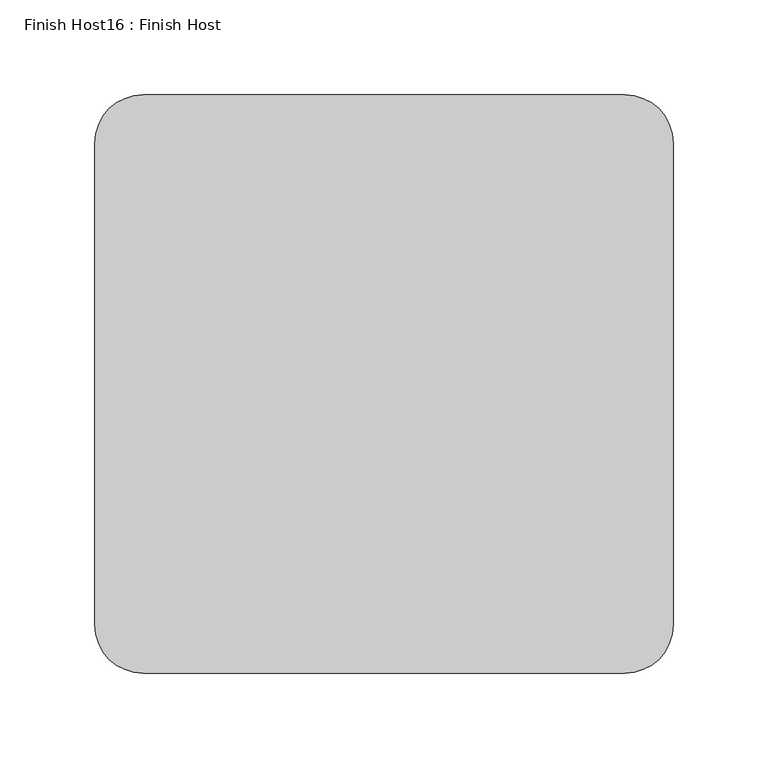
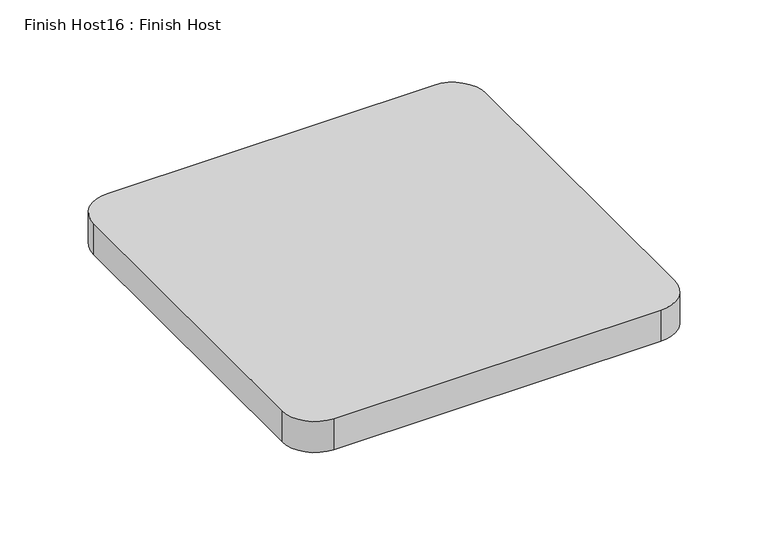
"""IFC4 building model written with IfcOpenShell, lengths in millimetres: proxy geometry, Finish Host16 : Finish Host."""

from ifc_helpers import new_model, si_unit, point, frame_2d, origin, origin_with_axes, place, context, project, spatial, polyline, circle_curve, trimmed, segment, composite_curve, outline, extrude, source, transform, mapped, element, save


def finish_host16_finish_host_4655bde0(model_context):
    return source(origin(), model_context, "Body", "SweptSolid", [
        extrude(outline(composite_curve([segment(polyline([(5001.0934426, 3188.0122951), (5001.0934426, 3442.0122951)]), True, "CONTINUOUS"), segment(trimmed(circle_curve(frame_2d((5026.4934426, 3442.0122951)), 25.4), [point((5001.0934426, 3442.0122951))], [point((5026.4934426, 3467.4122951))], False, "CARTESIAN"), True, "CONTINUOUS"), segment(polyline([(5026.4934426, 3467.4122951), (5280.4934426, 3467.4122951)]), True, "CONTINUOUS"), segment(trimmed(circle_curve(frame_2d((5280.4934426, 3442.0122951)), 25.4), [point((5280.4934426, 3467.4122951))], [point((5305.8934426, 3442.0122951))], False, "CARTESIAN"), True, "CONTINUOUS"), segment(polyline([(5305.8934426, 3442.0122951), (5305.8934426, 3188.0122951)]), True, "CONTINUOUS"), segment(trimmed(circle_curve(frame_2d((5280.4934426, 3188.0122951)), 25.4), [point((5305.8934426, 3188.0122951))], [point((5280.4934426, 3162.6122951))], False, "CARTESIAN"), True, "CONTINUOUS"), segment(polyline([(5280.4934426, 3162.6122951), (5026.4934426, 3162.6122951)]), True, "CONTINUOUS"), segment(trimmed(circle_curve(frame_2d((5026.4934426, 3188.0122951)), 25.4), [point((5026.4934426, 3162.6122951))], [point((5001.0934426, 3188.0122951))], False, "CARTESIAN"), True, "CONTINUOUS")], self_intersect=False)), origin_with_axes(), (0.0, 0.0, 1.0), 25.4),
    ])


if __name__ == "__main__":
    model = new_model("IFC4")
    model_context = context("Model", 3, world=origin())
    ifc_project = project(units=[si_unit("LENGTHUNIT", "METRE", prefix="MILLI")], contexts=[model_context])
    site = spatial("IfcSite", under=ifc_project)
    building = spatial("IfcBuilding", under=site)
    placement = place(None, origin())
    finish_host16_finish_host_shape = finish_host16_finish_host_4655bde0(model_context)
    element("IfcBuildingElementProxy", 1, Name="Finish Host16 : Finish Host", ObjectType="Finish Host16 : Finish Host", at=placement, inside=building, context=model_context, shape_type="MappedRepresentation", body=[
        mapped(finish_host16_finish_host_shape, transform((0.0, 0.0, 0.0), x_axis=(1.0, 0.0, 0.0), y_axis=(0.0, 1.0, 0.0), z_axis=(0.0, 0.0, 1.0))),
    ])
    save(model, "model.ifc")
